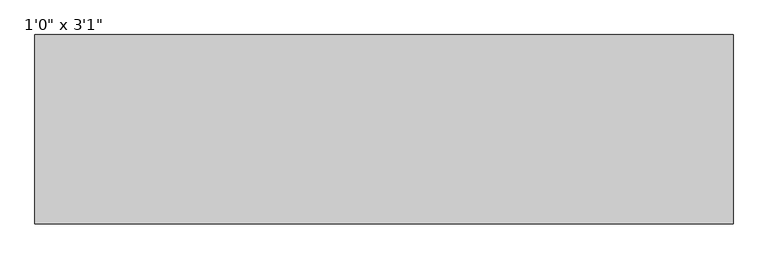
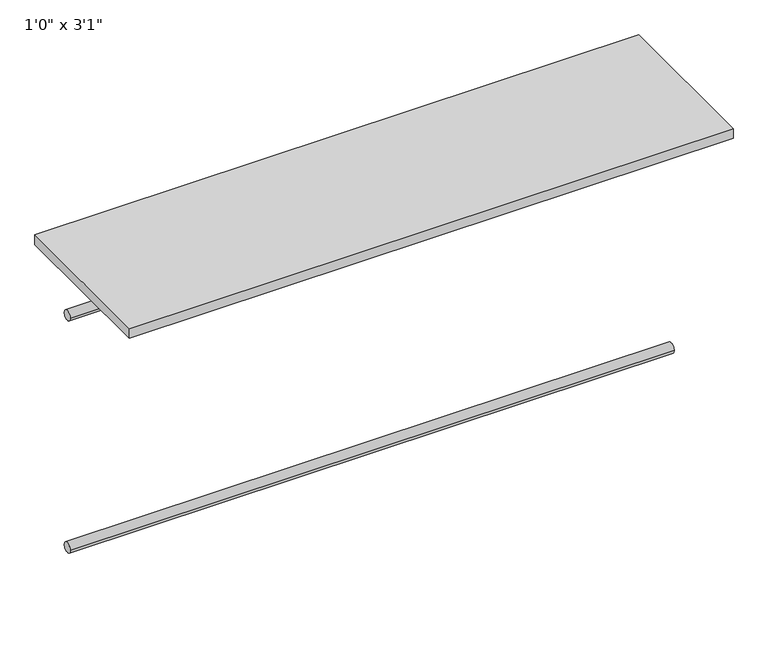
"""IFC4 building model written with IfcOpenShell, lengths in millimetres: furniture geometry."""

from ifc_helpers import new_model, si_unit, point, frame, frame_2d, origin, origin_with_axes, place, context, project, spatial, polyline, circle_curve, trimmed, segment, composite_curve, outline, extrude, source, transform, mapped, element, save


def furniture_41806c29(model_context):
    return source(origin(), model_context, "Body", "SweptSolid", [
        extrude(outline(composite_curve([segment(trimmed(circle_curve(frame_2d((-342.9, -711.2)), 12.7), [point((-330.2, -711.2))], [point((-355.6, -711.2))], False, "CARTESIAN"), True, "CONTINUOUS"), segment(trimmed(circle_curve(frame_2d((-342.9, -711.2)), 12.7), [point((-355.6, -711.2))], [point((-330.2, -711.2))], False, "CARTESIAN"), True, "CONTINUOUS")], self_intersect=False)), frame((-731.3928708, 0.0, 0.0), z_axis=(1.0, 0.0, 0.0), x_axis=(0.0, 1.0, 0.0)), (0.0, 0.0, 1.0), 1500.2611515),
        extrude(outline(composite_curve([segment(trimmed(circle_curve(frame_2d((-342.9, -101.6)), 12.7), [point((-330.2, -101.6))], [point((-355.6, -101.6))], False, "CARTESIAN"), True, "CONTINUOUS"), segment(trimmed(circle_curve(frame_2d((-342.9, -101.6)), 12.7), [point((-355.6, -101.6))], [point((-330.2, -101.6))], False, "CARTESIAN"), True, "CONTINUOUS")], self_intersect=False)), frame((-731.3928708, 0.0, 0.0), z_axis=(1.0, 0.0, 0.0), x_axis=(0.0, 1.0, 0.0)), (0.0, 0.0, 1.0), 1500.2611515),
        extrude(outline(polyline([(768.8682806, -203.2), (768.8682806, -609.6), (-731.3928708, -609.6), (-731.3928708, -203.2), (768.8682806, -203.2)])), origin_with_axes(), (0.0, 0.0, 1.0), 25.4),
    ])


if __name__ == "__main__":
    model = new_model("IFC4")
    model_context = context("Model", 3, world=origin())
    ifc_project = project(units=[si_unit("LENGTHUNIT", "METRE", prefix="MILLI")], contexts=[model_context])
    site = spatial("IfcSite", under=ifc_project)
    building = spatial("IfcBuilding", under=site)
    placement = place(None, origin())
    furniture_shape = furniture_41806c29(model_context)
    element("IfcFurniture", 1, ObjectType="1'0\" x 3'1\"", at=placement, inside=building, context=model_context, shape_type="MappedRepresentation", body=[
        mapped(furniture_shape, transform((0.0, 0.0, 0.0), x_axis=(1.0, 0.0, 0.0), y_axis=(0.0, 1.0, 0.0), z_axis=(0.0, 0.0, 1.0))),
    ])
    save(model, "model.ifc")
